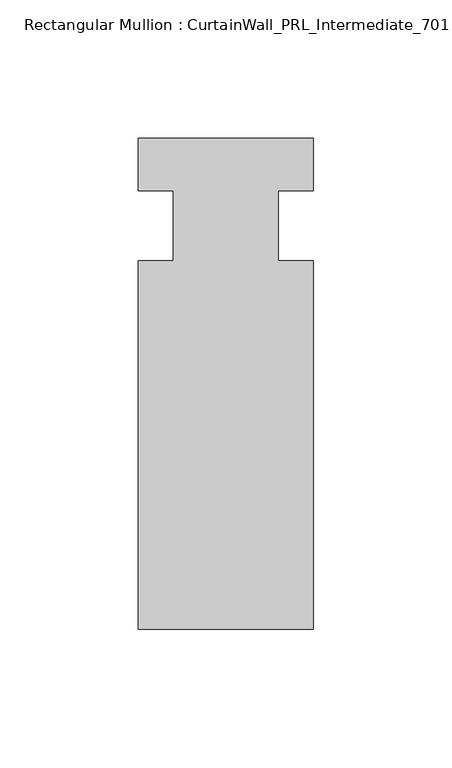
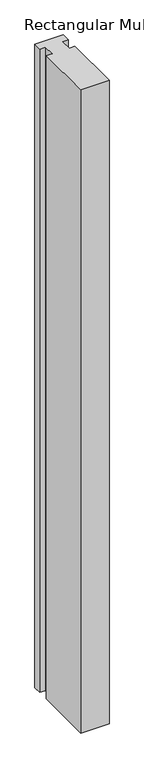
"""IFC4 building model written with IfcOpenShell, lengths in millimetres: member geometry, Rectangular Mullion : CurtainWall_PRL_Intermediate_701."""

from ifc_helpers import new_model, si_unit, frame, origin, place, context, project, spatial, polyline, outline, extrude, source, transform, mapped, element, save


def rectangular_mullion_curtainwall_prl_intermediate_701_e3436e85(model_context):
    return source(origin(), model_context, "Body", "SweptSolid", [
        extrude(outline(polyline([(-19.05, -12.7), (-19.05, 12.7), (-31.75, 12.7), (-31.75, 31.75), (31.75, 31.75), (31.75, 12.7), (19.05, 12.7), (19.05, -12.7), (31.75, -12.7), (31.75, -146.05), (-31.75, -146.05), (-31.75, -12.7), (-19.05, -12.7)])), frame((0.0, 0.0, -1524.0), z_axis=(0.0, 0.0, 1.0), x_axis=(1.0, 0.0, 0.0)), (0.0, 0.0, 1.0), 1524.0),
    ])


if __name__ == "__main__":
    model = new_model("IFC4")
    model_context = context("Model", 3, world=origin())
    ifc_project = project(units=[si_unit("LENGTHUNIT", "METRE", prefix="MILLI")], contexts=[model_context])
    site = spatial("IfcSite", under=ifc_project)
    building = spatial("IfcBuilding", under=site)
    placement = place(None, origin())
    rectangular_mullion_curtainwall_prl_intermediate_701_shape = rectangular_mullion_curtainwall_prl_intermediate_701_e3436e85(model_context)
    element("IfcMember", 1, ObjectType="Rectangular Mullion : CurtainWall_PRL_Intermediate_701", at=placement, inside=building, context=model_context, shape_type="MappedRepresentation", body=[
        mapped(rectangular_mullion_curtainwall_prl_intermediate_701_shape, transform((0.0, 0.0, 0.0), x_axis=(1.0, 0.0, 0.0), y_axis=(0.0, 1.0, 0.0), z_axis=(0.0, 0.0, 1.0))),
    ])
    save(model, "model.ifc")
